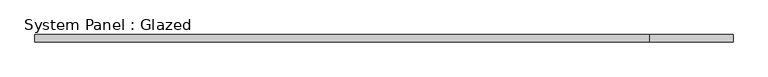
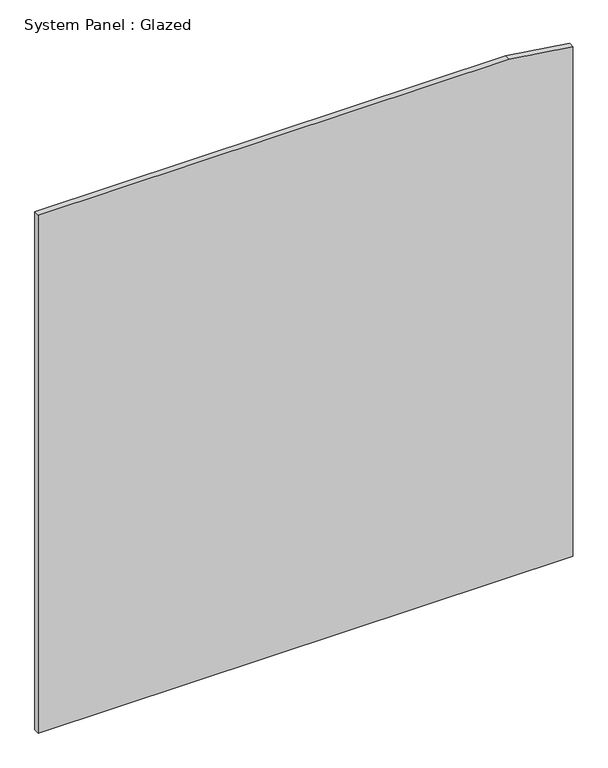
"""IFC4 building model written with IfcOpenShell, lengths in millimetres: plate geometry, System Panel : Glazed."""

from ifc_helpers import new_model, si_unit, frame, origin, place, context, project, spatial, polyline, outline, extrude, source, transform, mapped, element, save


def system_panel_glazed_e2f15ac0(model_context):
    return source(origin(), model_context, "Body", "SweptSolid", [
        extrude(outline(polyline([(0.0, -1171.7121958), (0.0, 1171.7121958), (2360.6725755, 1171.7121958), (2400.0, 892.5764265), (2400.0, -1171.7121958), (0.0, -1171.7121958)])), frame((0.0, 24.5, 0.0), z_axis=(0.0, 1.0, 0.0), x_axis=(0.0, 0.0, 1.0)), (0.0, 0.0, 1.0), 25.0),
    ])


if __name__ == "__main__":
    model = new_model("IFC4")
    model_context = context("Model", 3, world=origin())
    ifc_project = project(units=[si_unit("LENGTHUNIT", "METRE", prefix="MILLI")], contexts=[model_context])
    site = spatial("IfcSite", under=ifc_project)
    building = spatial("IfcBuilding", under=site)
    placement = place(None, origin())
    system_panel_glazed_shape = system_panel_glazed_e2f15ac0(model_context)
    element("IfcPlate", 1, ObjectType="System Panel : Glazed", at=placement, inside=building, context=model_context, shape_type="MappedRepresentation", body=[
        mapped(system_panel_glazed_shape, transform((0.0, 0.0, 0.0), x_axis=(1.0, 0.0, 0.0), y_axis=(0.0, 1.0, 0.0), z_axis=(0.0, 0.0, 1.0))),
    ])
    save(model, "model.ifc")
